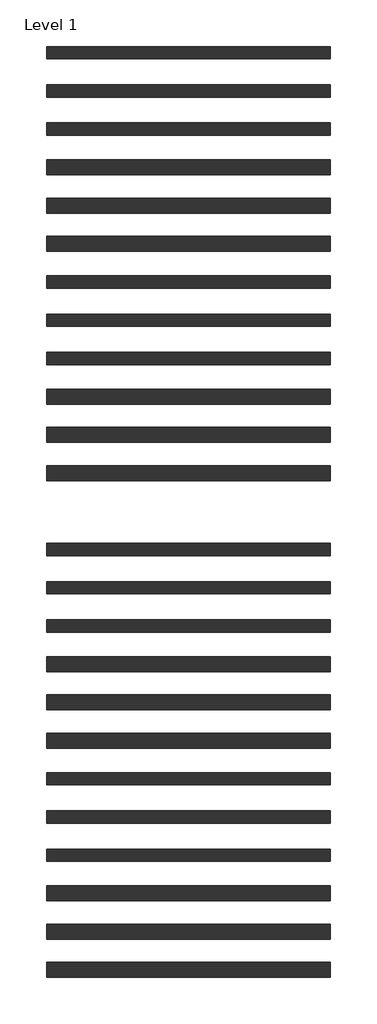
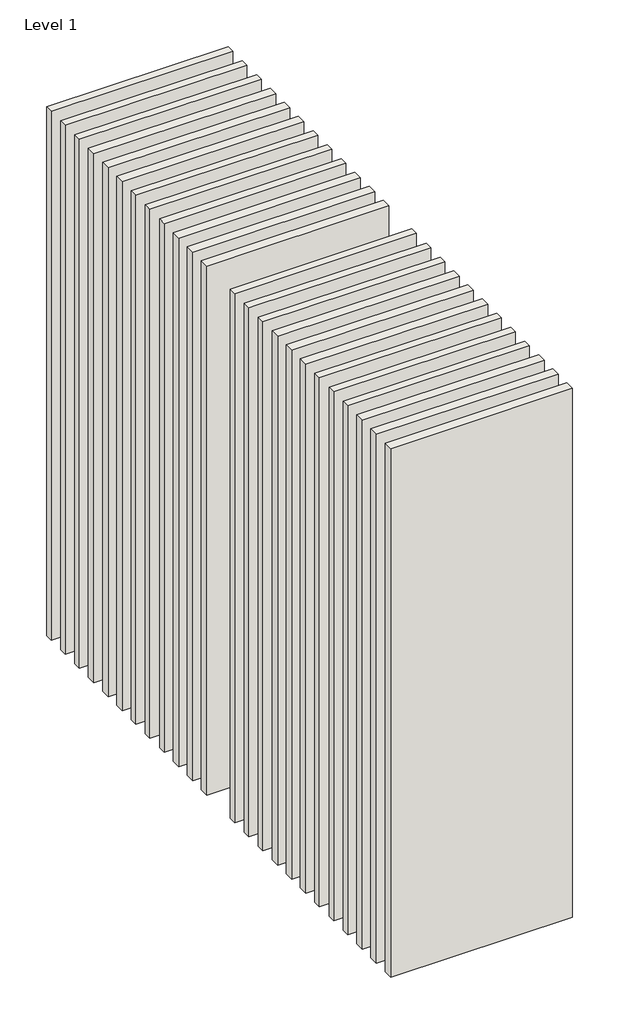
# One storey: 24 walls.
"""IFC4 building model written with IfcOpenShell, lengths in millimetres."""

from ifc_helpers import new_model, si_unit, origin, origin_with_axes, place, context, project, spatial, polyline, outline, extrude, element, save

model = new_model("IFC4")

# Units and contexts
model_context = context("Model", 3, world=origin())
ifc_project = project(units=[si_unit("LENGTHUNIT", "METRE", prefix="MILLI")], contexts=[model_context])

# Site, building, storey
site = spatial("IfcSite", under=ifc_project)
building = spatial("IfcBuilding", under=site)
storey = spatial("IfcBuildingStorey", under=building, Name="Level 1", Elevation=0.0)

# Walls
placement = place(None, origin())
element("IfcWall", 1, at=placement, inside=storey, context=model_context, shape_type="SweptSolid", body=[
    extrude(outline(polyline([(-16904.1464237, 3681.2698817), (-19504.1464237, 3681.2698817), (-19504.1464237, 3793.7698817), (-16904.1464237, 3793.7698817), (-16904.1464237, 3681.2698817)])), origin_with_axes(), (0.0, 0.0, 1.0), 8000.0),
])
element("IfcWall", 2, at=placement, inside=storey, context=model_context, shape_type="SweptSolid", body=[
    extrude(outline(polyline([(-16904.1464237, 3331.2698817), (-19504.1464237, 3331.2698817), (-19504.1464237, 3443.7698817), (-16904.1464237, 3443.7698817), (-16904.1464237, 3331.2698817)])), origin_with_axes(), (0.0, 0.0, 1.0), 8000.0),
])
element("IfcWall", 3, at=placement, inside=storey, context=model_context, shape_type="SweptSolid", body=[
    extrude(outline(polyline([(-16904.1464237, 2981.2698817), (-19504.1464237, 2981.2698817), (-19504.1464237, 3093.7698817), (-16904.1464237, 3093.7698817), (-16904.1464237, 2981.2698817)])), origin_with_axes(), (0.0, 0.0, 1.0), 8000.0),
])
element("IfcWall", 4, at=placement, inside=storey, context=model_context, shape_type="SweptSolid", body=[
    extrude(outline(polyline([(-16904.1464237, 2618.7698817), (-19504.1464237, 2618.7698817), (-19504.1464237, 2756.2698817), (-16904.1464237, 2756.2698817), (-16904.1464237, 2618.7698817)])), origin_with_axes(), (0.0, 0.0, 1.0), 8000.0),
])
element("IfcWall", 5, at=placement, inside=storey, context=model_context, shape_type="SweptSolid", body=[
    extrude(outline(polyline([(-16904.1464237, 2268.7698817), (-19504.1464237, 2268.7698817), (-19504.1464237, 2406.2698817), (-16904.1464237, 2406.2698817), (-16904.1464237, 2268.7698817)])), origin_with_axes(), (0.0, 0.0, 1.0), 8000.0),
])
element("IfcWall", 6, at=placement, inside=storey, context=model_context, shape_type="SweptSolid", body=[
    extrude(outline(polyline([(-16904.1464237, 1918.7698817), (-19504.1464237, 1918.7698817), (-19504.1464237, 2056.2698817), (-16904.1464237, 2056.2698817), (-16904.1464237, 1918.7698817)])), origin_with_axes(), (0.0, 0.0, 1.0), 8000.0),
])
element("IfcWall", 7, at=placement, inside=storey, context=model_context, shape_type="SweptSolid", body=[
    extrude(outline(polyline([(-16904.1464237, 1581.2698817), (-19504.1464237, 1581.2698817), (-19504.1464237, 1693.7698817), (-16904.1464237, 1693.7698817), (-16904.1464237, 1581.2698817)])), origin_with_axes(), (0.0, 0.0, 1.0), 8000.0),
])
element("IfcWall", 8, at=placement, inside=storey, context=model_context, shape_type="SweptSolid", body=[
    extrude(outline(polyline([(-16904.1464237, 1231.2698817), (-19504.1464237, 1231.2698817), (-19504.1464237, 1343.7698817), (-16904.1464237, 1343.7698817), (-16904.1464237, 1231.2698817)])), origin_with_axes(), (0.0, 0.0, 1.0), 8000.0),
])
element("IfcWall", 9, at=placement, inside=storey, context=model_context, shape_type="SweptSolid", body=[
    extrude(outline(polyline([(-16904.1464237, 881.2698817), (-19504.1464237, 881.2698817), (-19504.1464237, 993.7698817), (-16904.1464237, 993.7698817), (-16904.1464237, 881.2698817)])), origin_with_axes(), (0.0, 0.0, 1.0), 8000.0),
])
element("IfcWall", 10, at=placement, inside=storey, context=model_context, shape_type="SweptSolid", body=[
    extrude(outline(polyline([(-16904.1464237, 518.7698817), (-19504.1464237, 518.7698817), (-19504.1464237, 656.2698817), (-16904.1464237, 656.2698817), (-16904.1464237, 518.7698817)])), origin_with_axes(), (0.0, 0.0, 1.0), 8000.0),
])
element("IfcWall", 11, at=placement, inside=storey, context=model_context, shape_type="SweptSolid", body=[
    extrude(outline(polyline([(-16904.1464237, 168.7698817), (-19504.1464237, 168.7698817), (-19504.1464237, 306.2698817), (-16904.1464237, 306.2698817), (-16904.1464237, 168.7698817)])), origin_with_axes(), (0.0, 0.0, 1.0), 8000.0),
])
element("IfcWall", 12, at=placement, inside=storey, context=model_context, shape_type="SweptSolid", body=[
    extrude(outline(polyline([(-16904.1464237, -181.2301183), (-19504.1464237, -181.2301183), (-19504.1464237, -43.7301183), (-16904.1464237, -43.7301183), (-16904.1464237, -181.2301183)])), origin_with_axes(), (0.0, 0.0, 1.0), 8000.0),
])
element("IfcWall", 13, at=placement, inside=storey, context=model_context, shape_type="SweptSolid", body=[
    extrude(outline(polyline([(-16904.1464237, -868.7301183), (-19504.1464237, -868.7301183), (-19504.1464237, -756.2301183), (-16904.1464237, -756.2301183), (-16904.1464237, -868.7301183)])), origin_with_axes(), (0.0, 0.0, 1.0), 8000.0),
])
element("IfcWall", 14, at=placement, inside=storey, context=model_context, shape_type="SweptSolid", body=[
    extrude(outline(polyline([(-16904.1464237, -1218.7301183), (-19504.1464237, -1218.7301183), (-19504.1464237, -1106.2301183), (-16904.1464237, -1106.2301183), (-16904.1464237, -1218.7301183)])), origin_with_axes(), (0.0, 0.0, 1.0), 8000.0),
])
element("IfcWall", 15, at=placement, inside=storey, context=model_context, shape_type="SweptSolid", body=[
    extrude(outline(polyline([(-16904.1464237, -1568.7301183), (-19504.1464237, -1568.7301183), (-19504.1464237, -1456.2301183), (-16904.1464237, -1456.2301183), (-16904.1464237, -1568.7301183)])), origin_with_axes(), (0.0, 0.0, 1.0), 8000.0),
])
element("IfcWall", 16, at=placement, inside=storey, context=model_context, shape_type="SweptSolid", body=[
    extrude(outline(polyline([(-16904.1464237, -1931.2301183), (-19504.1464237, -1931.2301183), (-19504.1464237, -1793.7301183), (-16904.1464237, -1793.7301183), (-16904.1464237, -1931.2301183)])), origin_with_axes(), (0.0, 0.0, 1.0), 8000.0),
])
element("IfcWall", 17, at=placement, inside=storey, context=model_context, shape_type="SweptSolid", body=[
    extrude(outline(polyline([(-16904.1464237, -2281.2301183), (-19504.1464237, -2281.2301183), (-19504.1464237, -2143.7301183), (-16904.1464237, -2143.7301183), (-16904.1464237, -2281.2301183)])), origin_with_axes(), (0.0, 0.0, 1.0), 8000.0),
])
element("IfcWall", 18, at=placement, inside=storey, context=model_context, shape_type="SweptSolid", body=[
    extrude(outline(polyline([(-16904.1464237, -2631.2301183), (-19504.1464237, -2631.2301183), (-19504.1464237, -2493.7301183), (-16904.1464237, -2493.7301183), (-16904.1464237, -2631.2301183)])), origin_with_axes(), (0.0, 0.0, 1.0), 8000.0),
])
element("IfcWall", 19, at=placement, inside=storey, context=model_context, shape_type="SweptSolid", body=[
    extrude(outline(polyline([(-16904.1464237, -2968.7301183), (-19504.1464237, -2968.7301183), (-19504.1464237, -2856.2301183), (-16904.1464237, -2856.2301183), (-16904.1464237, -2968.7301183)])), origin_with_axes(), (0.0, 0.0, 1.0), 8000.0),
])
element("IfcWall", 20, at=placement, inside=storey, context=model_context, shape_type="SweptSolid", body=[
    extrude(outline(polyline([(-16904.1464237, -3318.7301183), (-19504.1464237, -3318.7301183), (-19504.1464237, -3206.2301183), (-16904.1464237, -3206.2301183), (-16904.1464237, -3318.7301183)])), origin_with_axes(), (0.0, 0.0, 1.0), 8000.0),
])
element("IfcWall", 21, at=placement, inside=storey, context=model_context, shape_type="SweptSolid", body=[
    extrude(outline(polyline([(-16904.1464237, -3668.7301183), (-19504.1464237, -3668.7301183), (-19504.1464237, -3556.2301183), (-16904.1464237, -3556.2301183), (-16904.1464237, -3668.7301183)])), origin_with_axes(), (0.0, 0.0, 1.0), 8000.0),
])
element("IfcWall", 22, at=placement, inside=storey, context=model_context, shape_type="SweptSolid", body=[
    extrude(outline(polyline([(-16904.1464237, -4031.2301183), (-19504.1464237, -4031.2301183), (-19504.1464237, -3893.7301183), (-16904.1464237, -3893.7301183), (-16904.1464237, -4031.2301183)])), origin_with_axes(), (0.0, 0.0, 1.0), 8000.0),
])
element("IfcWall", 23, at=placement, inside=storey, context=model_context, shape_type="SweptSolid", body=[
    extrude(outline(polyline([(-16904.1464237, -4381.2301183), (-19504.1464237, -4381.2301183), (-19504.1464237, -4243.7301183), (-16904.1464237, -4243.7301183), (-16904.1464237, -4381.2301183)])), origin_with_axes(), (0.0, 0.0, 1.0), 8000.0),
])
element("IfcWall", 24, at=placement, inside=storey, context=model_context, shape_type="SweptSolid", body=[
    extrude(outline(polyline([(-16904.1464237, -4731.2301183), (-19504.1464237, -4731.2301183), (-19504.1464237, -4593.7301183), (-16904.1464237, -4593.7301183), (-16904.1464237, -4731.2301183)])), origin_with_axes(), (0.0, 0.0, 1.0), 8000.0),
])

save(model, "model.ifc")
